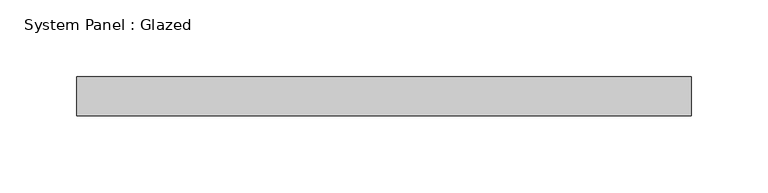
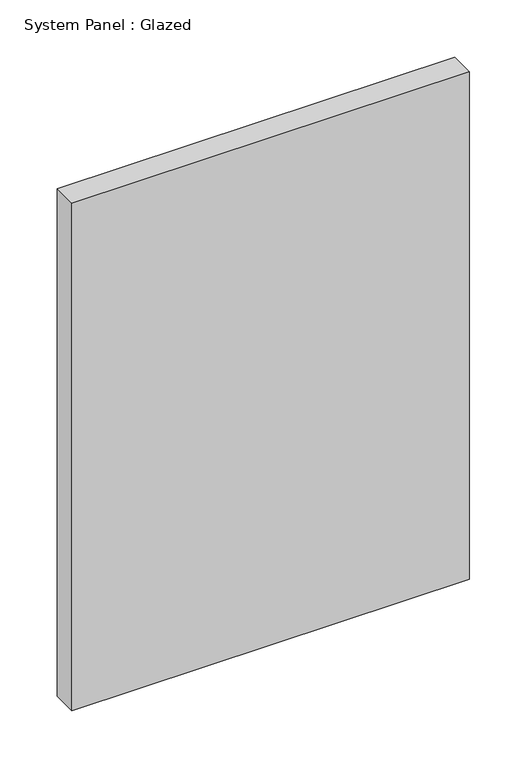
"""IFC4 building model written with IfcOpenShell, lengths in millimetres: plate geometry, System Panel : Glazed."""

from ifc_helpers import new_model, si_unit, origin, origin_with_axes, place, context, project, spatial, polyline, outline, extrude, source, transform, mapped, element, save


def system_panel_glazed_3c638632(model_context):
    return source(origin(), model_context, "Body", "SweptSolid", [
        extrude(outline(polyline([(200.025, -12.7), (-200.025, -12.7), (-200.025, 12.7), (200.025, 12.7), (200.025, -12.7)])), origin_with_axes(), (0.0, 0.0, 1.0), 539.75),
    ])


if __name__ == "__main__":
    model = new_model("IFC4")
    model_context = context("Model", 3, world=origin())
    ifc_project = project(units=[si_unit("LENGTHUNIT", "METRE", prefix="MILLI")], contexts=[model_context])
    site = spatial("IfcSite", under=ifc_project)
    building = spatial("IfcBuilding", under=site)
    placement = place(None, origin())
    system_panel_glazed_shape = system_panel_glazed_3c638632(model_context)
    element("IfcPlate", 1, ObjectType="System Panel : Glazed", at=placement, inside=building, context=model_context, shape_type="MappedRepresentation", body=[
        mapped(system_panel_glazed_shape, transform((0.0, 0.0, 0.0), x_axis=(1.0, 0.0, 0.0), y_axis=(0.0, 1.0, 0.0), z_axis=(0.0, 0.0, 1.0))),
    ])
    save(model, "model.ifc")
